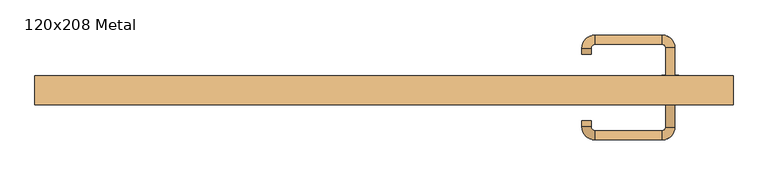
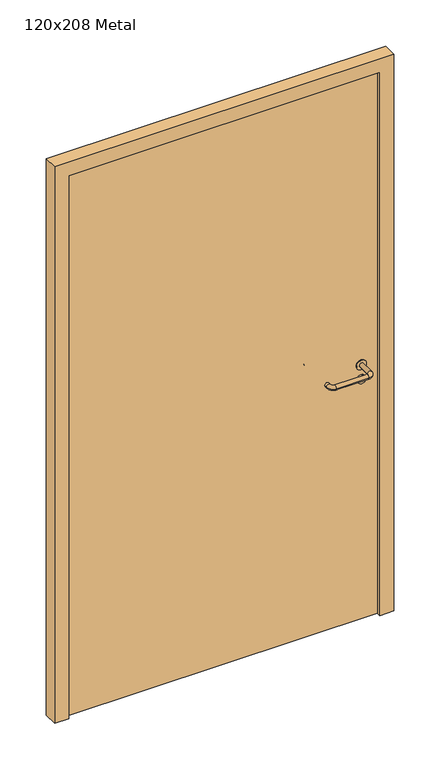
"""IFC4 building model written with IfcOpenShell, lengths in millimetres: door geometry, 120x208 Metal."""

from ifc_helpers import new_model, si_unit, point, frame, frame_2d, origin, origin_with_axes, place, context, project, spatial, polyline, circle_curve, ellipse_curve, trimmed, segment, composite_curve, outline, extrude, source, transform, mapped, element, save
from ifc_brep_helpers import plane_surface, cylinder_surface, revolved_surface, advanced_brep


def door_120x208_metal_b2ca3d05(model_context):
    return source(origin(), model_context, "Body", "SolidModel", [
        extrude(outline(composite_curve([segment(trimmed(circle_curve(frame_2d((897.3605726, 492.0)), 15.0), [point((897.3605726, 507.0))], [point((897.3605726, 477.0))], False, "CARTESIAN"), True, "CONTINUOUS"), segment(trimmed(circle_curve(frame_2d((897.3605726, 492.0)), 15.0), [point((897.3605726, 477.0))], [point((897.3605726, 507.0))], False, "CARTESIAN"), True, "CONTINUOUS")], self_intersect=False), holes=[composite_curve([segment(trimmed(circle_curve(frame_2d((892.5833211, 491.9398032)), 2.0), [point((892.5833211, 493.9398032))], [point((892.5833211, 489.9398032))], True, "CARTESIAN"), True, "CONTINUOUS"), segment(polyline([(892.5833211, 489.9398032), (902.5833211, 489.9398032)]), True, "CONTINUOUS"), segment(trimmed(circle_curve(frame_2d((902.5833211, 491.9398032)), 2.0), [point((902.5833211, 489.9398032))], [point((902.5833211, 493.9398032))], True, "CARTESIAN"), True, "CONTINUOUS"), segment(polyline([(902.5833211, 493.9398032), (892.5833211, 493.9398032)]), True, "CONTINUOUS")], self_intersect=False)]), frame((0.0, 58.65, 0.0), z_axis=(0.0, 1.0, 0.0), x_axis=(0.0, 0.0, 1.0)), (0.0, 0.0, 1.0), 6.35),
        extrude(outline(composite_curve([segment(trimmed(circle_curve(frame_2d((950.0, 492.0)), 17.526), [point((950.0, 509.526))], [point((950.0, 474.474))], False, "CARTESIAN"), True, "CONTINUOUS"), segment(trimmed(circle_curve(frame_2d((950.0, 492.0)), 17.526), [point((950.0, 474.474))], [point((950.0, 509.526))], False, "CARTESIAN"), True, "CONTINUOUS")], self_intersect=False)), frame((0.0, 61.825, 0.0), z_axis=(0.0, 1.0, 0.0), x_axis=(0.0, 0.0, 1.0)), (0.0, 0.0, 1.0), 3.175),
        advanced_brep(
        [(500.0, 65.0, 950.0), (484.0, 65.0, 950.0), (484.0, 12.0, 950.0), (500.0, 12.0, 950.0), (477.8578644, 5.8578644, 950.0), (477.8578644, -10.1421356, 950.0), (362.8578644, 5.8578644, 950.0), (362.8578644, -10.1421356, 950.0), (356.008622, 12.7071068, 950.0), (340.008622, 12.7071068, 950.0), (340.008622, 22.7071068, 950.0), (356.008622, 22.7071068, 950.0)],
        [
            (0, 1, circle_curve(frame((492.0, 65.0, 950.0), z_axis=(0.0, 1.0, 0.0), x_axis=(-1.0, 0.0, 0.0)), 8.0)),
            (1, 0, circle_curve(frame((492.0, 65.0, 950.0), z_axis=(0.0, 1.0, 0.0), x_axis=(-1.0, 0.0, 0.0)), 8.0)),
            (1, 2),
            (2, 3, circle_curve(frame((492.0, 12.0, 950.0), z_axis=(0.0, 1.0, 0.0), x_axis=(-1.0, 0.0, 0.0)), 8.0)),
            (3, 0),
            (3, 2, circle_curve(frame((492.0, 12.0, 950.0), z_axis=(0.0, 1.0, 0.0), x_axis=(-1.0, 0.0, 0.0)), 8.0)),
            (4, 5, circle_curve(frame((477.8578644, -2.1421356, 950.0), z_axis=(1.0, 0.0, 0.0), x_axis=(0.0, 1.0, 0.0)), 8.0)),
            (5, 3, circle_curve(frame((477.8578644, 12.0, 950.0), z_axis=(0.0, 0.0, 1.0), x_axis=(1.0, 0.0, 0.0)), 22.1421356)),
            (2, 4, circle_curve(frame((477.8578644, 12.0, 950.0), z_axis=(0.0, 0.0, -1.0), x_axis=(1.0, 0.0, 0.0)), 6.1421356)),
            (5, 4, circle_curve(frame((477.8578644, -2.1421356, 950.0), z_axis=(1.0, 0.0, 0.0), x_axis=(0.0, 1.0, 0.0)), 8.0)),
            (4, 6),
            (6, 7, circle_curve(frame((362.8578644, -2.1421356, 950.0), z_axis=(1.0, 0.0, 0.0), x_axis=(0.0, 1.0, 0.0)), 8.0)),
            (7, 5),
            (7, 6, circle_curve(frame((362.8578644, -2.1421356, 950.0), z_axis=(1.0, 0.0, 0.0), x_axis=(0.0, 1.0, 0.0)), 8.0)),
            (8, 9, circle_curve(frame((348.008622, 12.7071068, 950.0), z_axis=(0.0, -1.0, 0.0), x_axis=(1.0, 0.0, 0.0)), 8.0)),
            (9, 7, circle_curve(frame((362.8578644, 12.7071068, 950.0), z_axis=(0.0, 0.0, 1.0), x_axis=(0.0, -1.0, 0.0)), 22.8492424)),
            (6, 8, circle_curve(frame((362.8578644, 12.7071068, 950.0), z_axis=(0.0, 0.0, -1.0), x_axis=(0.0, -1.0, 0.0)), 6.8492424)),
            (9, 8, circle_curve(frame((348.008622, 12.7071068, 950.0), z_axis=(0.0, -1.0, 0.0), x_axis=(1.0, 0.0, 0.0)), 8.0)),
            (10, 11, circle_curve(frame((348.008622, 22.7071068, 950.0), z_axis=(0.0, 1.0, 0.0), x_axis=(1.0, 0.0, 0.0)), 8.0)),
            (11, 10, circle_curve(frame((348.008622, 22.7071068, 950.0), z_axis=(0.0, 1.0, 0.0), x_axis=(1.0, 0.0, 0.0)), 8.0)),
            (8, 11),
            (10, 9),
        ],
        [
            plane_surface(frame((492.0, 65.0, 170.0), z_axis=(0.0, 1.0, 0.0), x_axis=(0.0, 0.0, 1.0))),
            cylinder_surface(frame((492.0, 65.0, 950.0), z_axis=(0.0, 1.0, 0.0), x_axis=(-1.0, 0.0, 0.0)), 8.0),
            revolved_surface(trimmed(ellipse_curve(frame((492.0, 12.0, 950.0), z_axis=(0.0, -1.0, 0.0), x_axis=(-1.0, 0.0, 0.0)), 8.0, 8.0), [point((500.0, 12.0, 950.0))], [point((484.0, 12.0, 950.0))], True, "CARTESIAN"), (477.8578644, 12.0, 170.0), (0.0, 0.0, 1.0)),
            revolved_surface(trimmed(ellipse_curve(frame((492.0, 12.0, 950.0), z_axis=(0.0, -1.0, 0.0), x_axis=(-1.0, 0.0, 0.0)), 8.0, 8.0), [point((484.0, 12.0, 950.0))], [point((500.0, 12.0, 950.0))], True, "CARTESIAN"), (477.8578644, 12.0, 170.0), (0.0, 0.0, 1.0)),
            cylinder_surface(frame((477.8578644, -2.1421356, 950.0), z_axis=(1.0, 0.0, 0.0), x_axis=(0.0, 1.0, 0.0)), 8.0),
            revolved_surface(trimmed(ellipse_curve(frame((362.8578644, -2.1421356, 950.0), z_axis=(-1.0, 0.0, 0.0), x_axis=(0.0, 1.0, 0.0)), 8.0, 8.0), [point((362.8578644, -10.1421356, 950.0))], [point((362.8578644, 5.8578644, 950.0))], True, "CARTESIAN"), (362.8578644, 12.7071068, 170.0), (0.0, 0.0, 1.0)),
            revolved_surface(trimmed(ellipse_curve(frame((362.8578644, -2.1421356, 950.0), z_axis=(-1.0, 0.0, 0.0), x_axis=(0.0, 1.0, 0.0)), 8.0, 8.0), [point((362.8578644, 5.8578644, 950.0))], [point((362.8578644, -10.1421356, 950.0))], True, "CARTESIAN"), (362.8578644, 12.7071068, 170.0), (0.0, 0.0, 1.0)),
            plane_surface(frame((348.008622, 22.7071068, 170.0), z_axis=(0.0, 1.0, 0.0), x_axis=(0.0, 0.0, 1.0))),
            cylinder_surface(frame((348.008622, 12.7071068, 950.0), z_axis=(0.0, -1.0, 0.0), x_axis=(1.0, 0.0, 0.0)), 8.0),
        ],
        [
            (0, [[1, 2]]),
            (1, [[3, 4, 5, -2]]),
            (1, [[-5, 6, -3, -1]]),
            (2, [[7, 8, -4, 9]]),
            (3, [[10, -9, -6, -8]]),
            (4, [[11, 12, 13, -7]]),
            (4, [[-13, 14, -11, -10]]),
            (5, [[15, 16, -12, 17]]),
            (6, [[18, -17, -14, -16]]),
            (7, [[19, 20]]),
            (8, [[21, -19, 22, -15]]),
            (8, [[-22, -20, -21, -18]]),
        ],
    ),
        extrude(outline(composite_curve([segment(trimmed(circle_curve(frame_2d((0.0, -15.0)), 15.0), [point((0.0, -30.0))], [point((0.0, 0.0))], False, "CARTESIAN"), True, "CONTINUOUS"), segment(trimmed(circle_curve(frame_2d((0.0, -15.0)), 15.0), [point((0.0, 0.0))], [point((0.0, -30.0))], False, "CARTESIAN"), True, "CONTINUOUS")], self_intersect=False), holes=[composite_curve([segment(trimmed(circle_curve(frame_2d((4.7772515, -14.9398032)), 2.0), [point((4.7772515, -16.9398032))], [point((4.7772515, -12.9398032))], True, "CARTESIAN"), True, "CONTINUOUS"), segment(polyline([(4.7772515, -12.9398032), (-5.2227485, -12.9398032)]), True, "CONTINUOUS"), segment(trimmed(circle_curve(frame_2d((-5.2227485, -14.9398032)), 2.0), [point((-5.2227485, -12.9398032))], [point((-5.2227485, -16.9398032))], True, "CARTESIAN"), True, "CONTINUOUS"), segment(polyline([(-5.2227485, -16.9398032), (4.7772515, -16.9398032)]), True, "CONTINUOUS")], self_intersect=False)]), frame((477.0, 95.0, 897.3605726), z_axis=(1.8870575173328306e-12, 1.0, 0.0), x_axis=(0.0, 0.0, -1.0)), (0.0, 0.0, 1.0), 6.35),
        extrude(outline(composite_curve([segment(trimmed(circle_curve(frame_2d((0.0, -17.526)), 17.526), [point((0.0, -35.052))], [point((0.0, 0.0))], False, "CARTESIAN"), True, "CONTINUOUS"), segment(trimmed(circle_curve(frame_2d((0.0, -17.526)), 17.526), [point((0.0, 0.0))], [point((0.0, -35.052))], False, "CARTESIAN"), True, "CONTINUOUS")], self_intersect=False)), frame((474.474, 95.0, 950.0), z_axis=(1.8870575173328306e-12, 1.0, 0.0), x_axis=(0.0, 0.0, -1.0)), (0.0, 0.0, 1.0), 3.175),
        advanced_brep(
        [(500.0, 95.0, 950.0), (484.0, 95.0, 950.0), (500.0, 148.0, 950.0), (484.0, 148.0, 950.0), (477.8578644, 154.1421356, 950.0), (477.8578644, 170.1421356, 950.0), (362.8578644, 170.1421356, 950.0), (362.8578644, 154.1421356, 950.0), (356.008622, 147.2928932, 950.0), (340.008622, 147.2928932, 950.0), (340.008622, 137.2928932, 950.0), (356.008622, 137.2928932, 950.0)],
        [
            (0, 1, circle_curve(frame((492.0, 95.0, 950.0), z_axis=(-1.888672253512351e-12, -1.0, 0.0), x_axis=(-1.0, 1.888672253512351e-12, 0.0)), 8.0)),
            (1, 0, circle_curve(frame((492.0, 95.0, 950.0), z_axis=(-1.888672253512351e-12, -1.0, 0.0), x_axis=(-1.0, 1.888672253512351e-12, 0.0)), 8.0)),
            (0, 2),
            (2, 3, circle_curve(frame((492.0, 148.0, 950.0), z_axis=(-1.888672253512351e-12, -1.0, 0.0), x_axis=(-1.0, 1.888672253512351e-12, 0.0)), 8.0)),
            (3, 1),
            (3, 2, circle_curve(frame((492.0, 148.0, 950.0), z_axis=(-1.888672253512351e-12, -1.0, 0.0), x_axis=(-1.0, 1.888672253512351e-12, 0.0)), 8.0)),
            (4, 3, circle_curve(frame((477.8578644, 148.0, 950.0), z_axis=(0.0, 0.0, -1.0), x_axis=(1.0, -1.880717803715015e-12, 0.0)), 6.1421356)),
            (2, 5, circle_curve(frame((477.8578644, 148.0, 950.0), z_axis=(0.0, 0.0, 1.0), x_axis=(1.0, -1.880717803715015e-12, 0.0)), 22.1421356)),
            (5, 4, circle_curve(frame((477.8578644, 162.1421356, 950.0), z_axis=(1.0, -1.913702061528922e-12, 0.0), x_axis=(-1.913702061528922e-12, -1.0, 0.0)), 8.0)),
            (4, 5, circle_curve(frame((477.8578644, 162.1421356, 950.0), z_axis=(1.0, -1.913702061528922e-12, 0.0), x_axis=(-1.913702061528922e-12, -1.0, 0.0)), 8.0)),
            (5, 6),
            (6, 7, circle_curve(frame((362.8578644, 162.1421356, 950.0), z_axis=(1.0, -1.913719828541269e-12, 0.0), x_axis=(-1.913719828541269e-12, -1.0, 0.0)), 8.0)),
            (7, 4),
            (7, 6, circle_curve(frame((362.8578644, 162.1421356, 950.0), z_axis=(1.0, -1.913719828541269e-12, 0.0), x_axis=(-1.913719828541269e-12, -1.0, 0.0)), 8.0)),
            (8, 7, circle_curve(frame((362.8578644, 147.2928932, 950.0), z_axis=(0.0, 0.0, -1.0), x_axis=(1.9120873253494017e-12, 1.0, 0.0)), 6.8492424)),
            (6, 9, circle_curve(frame((362.8578644, 147.2928932, 950.0), z_axis=(0.0, 0.0, 1.0), x_axis=(1.9120873253494017e-12, 1.0, 0.0)), 22.8492424)),
            (9, 8, circle_curve(frame((348.008622, 147.2928932, 950.0), z_axis=(1.890670654956676e-12, 1.0, 0.0), x_axis=(1.0, -1.890670654956676e-12, 0.0)), 8.0)),
            (8, 9, circle_curve(frame((348.008622, 147.2928932, 950.0), z_axis=(1.890226565746826e-12, 1.0, 0.0), x_axis=(1.0, -1.890226565746826e-12, 0.0)), 8.0)),
            (10, 11, circle_curve(frame((348.008622, 137.2928932, 950.0), z_axis=(-1.8903642334018795e-12, -1.0, 0.0), x_axis=(1.0, -1.8903642334018795e-12, 0.0)), 8.0)),
            (11, 10, circle_curve(frame((348.008622, 137.2928932, 950.0), z_axis=(-1.8903642334018795e-12, -1.0, 0.0), x_axis=(1.0, -1.8903642334018795e-12, 0.0)), 8.0)),
            (9, 10),
            (11, 8),
        ],
        [
            plane_surface(frame((492.0, 95.0, 170.0), z_axis=(-1.8870575173328306e-12, -1.0, 0.0), x_axis=(0.0, 0.0, 1.0))),
            cylinder_surface(frame((492.0, 95.0, 950.0), z_axis=(-1.888672253512351e-12, -1.0, 0.0), x_axis=(-1.0, 1.888672253512351e-12, 0.0)), 8.0),
            revolved_surface(trimmed(ellipse_curve(frame((492.0, 148.0, 950.0), z_axis=(-1.8823325398945356e-12, -1.0, 0.0), x_axis=(-1.0, 1.8823325398945356e-12, 0.0)), 8.0, 8.0), [point((500.0, 148.0, 950.0))], [point((484.0, 148.0, 950.0))], True, "CARTESIAN"), (477.8578644, 148.0, 170.0), (0.0, 0.0, 1.0)),
            revolved_surface(trimmed(ellipse_curve(frame((492.0, 148.0, 950.0), z_axis=(-1.8823325398945356e-12, -1.0, 0.0), x_axis=(-1.0, 1.8823325398945356e-12, 0.0)), 8.0, 8.0), [point((484.0, 148.0, 950.0))], [point((500.0, 148.0, 950.0))], True, "CARTESIAN"), (477.8578644, 148.0, 170.0), (0.0, 0.0, 1.0)),
            cylinder_surface(frame((477.8578644, 162.1421356, 950.0), z_axis=(1.0, -1.913719828541269e-12, 0.0), x_axis=(-1.913719828541269e-12, -1.0, 0.0)), 8.0),
            revolved_surface(trimmed(ellipse_curve(frame((362.8578644, 162.1421356, 950.0), z_axis=(1.0, -1.913702061528922e-12, 0.0), x_axis=(-1.913702061528922e-12, -1.0, 0.0)), 8.0, 8.0), [point((362.8578644, 170.1421356, 950.0))], [point((362.8578644, 154.1421356, 950.0))], True, "CARTESIAN"), (362.8578644, 147.2928932, 170.0), (0.0, 0.0, 1.0)),
            revolved_surface(trimmed(ellipse_curve(frame((362.8578644, 162.1421356, 950.0), z_axis=(1.0, -1.913702061528922e-12, 0.0), x_axis=(-1.913702061528922e-12, -1.0, 0.0)), 8.0, 8.0), [point((362.8578644, 154.1421356, 950.0))], [point((362.8578644, 170.1421356, 950.0))], True, "CARTESIAN"), (362.8578644, 147.2928932, 170.0), (0.0, 0.0, 1.0)),
            plane_surface(frame((348.008622, 137.2928932, 170.0), z_axis=(-1.8887494972223595e-12, -1.0, 0.0), x_axis=(0.0, 0.0, 1.0))),
            cylinder_surface(frame((348.008622, 147.2928932, 950.0), z_axis=(1.8903642334018795e-12, 1.0, 0.0), x_axis=(1.0, -1.8903642334018795e-12, 0.0)), 8.0),
        ],
        [
            (0, [[1, 2]]),
            (1, [[-1, 3, 4, 5]]),
            (1, [[-2, -5, 6, -3]]),
            (2, [[7, -4, 8, 9]]),
            (3, [[-8, -6, -7, 10]]),
            (4, [[-9, 11, 12, 13]]),
            (4, [[-10, -13, 14, -11]]),
            (5, [[15, -12, 16, 17]]),
            (6, [[-16, -14, -15, 18]]),
            (7, [[19, 20]]),
            (8, [[-17, 21, -20, 22]]),
            (8, [[-18, -22, -19, -21]]),
        ],
    ),
        extrude(outline(polyline([(2030.0, 550.0), (0.0, 550.0), (0.0, 600.0), (2080.0, 600.0), (2080.0, -600.0), (0.0, -600.0), (0.0, -550.0), (2030.0, -550.0), (2030.0, 550.0)])), frame((0.0, 50.0, 0.0), z_axis=(0.0, 1.0, 0.0), x_axis=(0.0, 0.0, 1.0)), (0.0, 0.0, 1.0), 50.0),
        extrude(outline(polyline([(-550.0, 95.0), (550.0, 95.0), (550.0, 65.0), (-550.0, 65.0), (-550.0, 95.0)])), origin_with_axes(), (0.0, 0.0, 1.0), 2030.0),
    ])


if __name__ == "__main__":
    model = new_model("IFC4")
    model_context = context("Model", 3, world=origin())
    ifc_project = project(units=[si_unit("LENGTHUNIT", "METRE", prefix="MILLI")], contexts=[model_context])
    site = spatial("IfcSite", under=ifc_project)
    building = spatial("IfcBuilding", under=site)
    placement = place(None, origin())
    door_120x208_metal_shape = door_120x208_metal_b2ca3d05(model_context)
    element("IfcDoor", 1, ObjectType="120x208 Metal", at=placement, inside=building, context=model_context, shape_type="MappedRepresentation", body=[
        mapped(door_120x208_metal_shape, transform((0.0, 0.0, 0.0), x_axis=(1.0, 0.0, 0.0), y_axis=(0.0, 1.0, 0.0), z_axis=(0.0, 0.0, 1.0))),
    ])
    save(model, "model.ifc")
